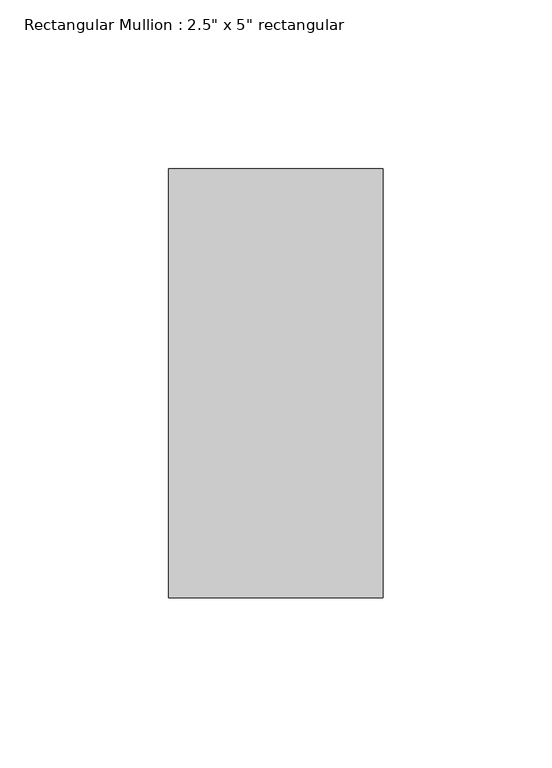
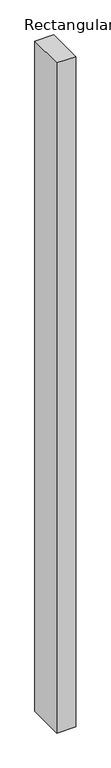
"""IFC4 building model written with IfcOpenShell, lengths in millimetres: member geometry."""

from ifc_helpers import new_model, si_unit, frame, origin, place, context, project, spatial, polyline, outline, extrude, source, transform, mapped, element, save


def member_b2bde9e6(model_context):
    return source(origin(), model_context, "Body", "SweptSolid", [
        extrude(outline(polyline([(0.0, 63.5), (0.0, -63.5), (-63.5, -63.5), (-63.5, 63.5), (0.0, 63.5)])), frame((0.0, 0.0, -2374.9), z_axis=(0.0, 0.0, 1.0), x_axis=(1.0, 0.0, 0.0)), (0.0, 0.0, 1.0), 2374.9),
    ])


if __name__ == "__main__":
    model = new_model("IFC4")
    model_context = context("Model", 3, world=origin())
    ifc_project = project(units=[si_unit("LENGTHUNIT", "METRE", prefix="MILLI")], contexts=[model_context])
    site = spatial("IfcSite", under=ifc_project)
    building = spatial("IfcBuilding", under=site)
    placement = place(None, origin())
    member_shape = member_b2bde9e6(model_context)
    element("IfcMember", 1, ObjectType="Rectangular Mullion : 2.5\" x 5\" rectangular", at=placement, inside=building, context=model_context, shape_type="MappedRepresentation", body=[
        mapped(member_shape, transform((0.0, 0.0, 0.0), x_axis=(1.0, 0.0, 0.0), y_axis=(0.0, 1.0, 0.0), z_axis=(0.0, 0.0, 1.0))),
    ])
    save(model, "model.ifc")
